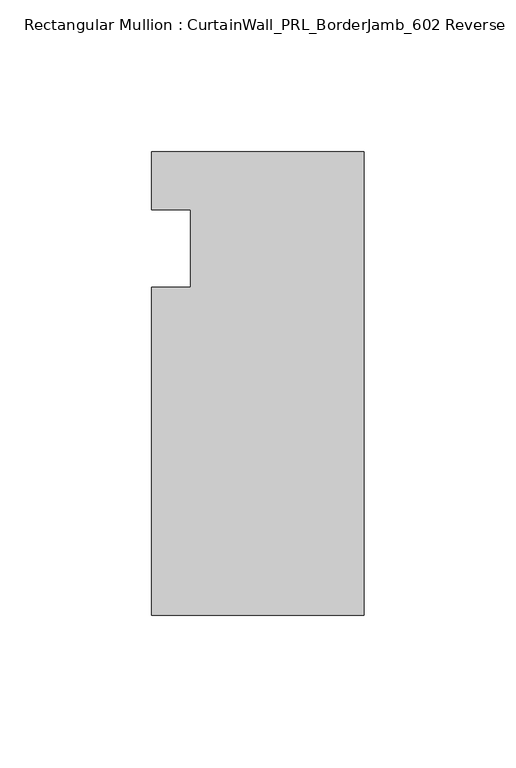
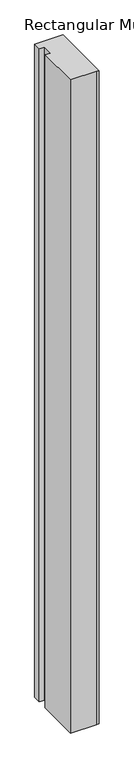
"""IFC4 building model written with IfcOpenShell, lengths in millimetres: member geometry, Rectangular Mullion : CurtainWall_PRL_BorderJamb_602 Reverse."""

from ifc_helpers import new_model, si_unit, frame, origin, place, context, project, spatial, polyline, outline, extrude, source, transform, mapped, element, save


def rectangular_mullion_curtainwall_prl_borderjamb_602_reverse_5dcb1a8b(model_context):
    return source(origin(), model_context, "Body", "SweptSolid", [
        extrude(outline(polyline([(-57.15, -12.7), (-57.15, 12.7), (-69.85, 12.7), (-69.85, 31.75), (-7.3958824, 31.75), (0.0, 31.75), (0.0, -120.65), (-6.35, -120.65), (-69.85, -120.65), (-69.85, -12.7), (-57.15, -12.7)])), frame((0.0, 0.0, -1695.45), z_axis=(0.0, 0.0, 1.0), x_axis=(1.0, 0.0, 0.0)), (0.0, 0.0, 1.0), 1695.45),
    ])


if __name__ == "__main__":
    model = new_model("IFC4")
    model_context = context("Model", 3, world=origin())
    ifc_project = project(units=[si_unit("LENGTHUNIT", "METRE", prefix="MILLI")], contexts=[model_context])
    site = spatial("IfcSite", under=ifc_project)
    building = spatial("IfcBuilding", under=site)
    placement = place(None, origin())
    rectangular_mullion_curtainwall_prl_borderjamb_602_reverse_shape = rectangular_mullion_curtainwall_prl_borderjamb_602_reverse_5dcb1a8b(model_context)
    element("IfcMember", 1, ObjectType="Rectangular Mullion : CurtainWall_PRL_BorderJamb_602 Reverse", at=placement, inside=building, context=model_context, shape_type="MappedRepresentation", body=[
        mapped(rectangular_mullion_curtainwall_prl_borderjamb_602_reverse_shape, transform((0.0, 0.0, 0.0), x_axis=(1.0, 0.0, 0.0), y_axis=(0.0, 1.0, 0.0), z_axis=(0.0, 0.0, 1.0))),
    ])
    save(model, "model.ifc")
